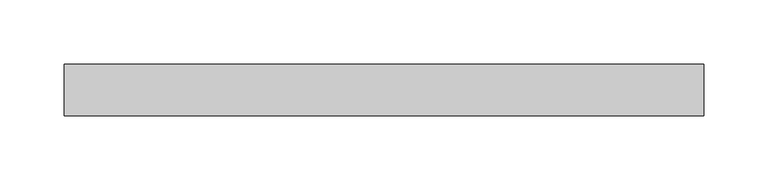
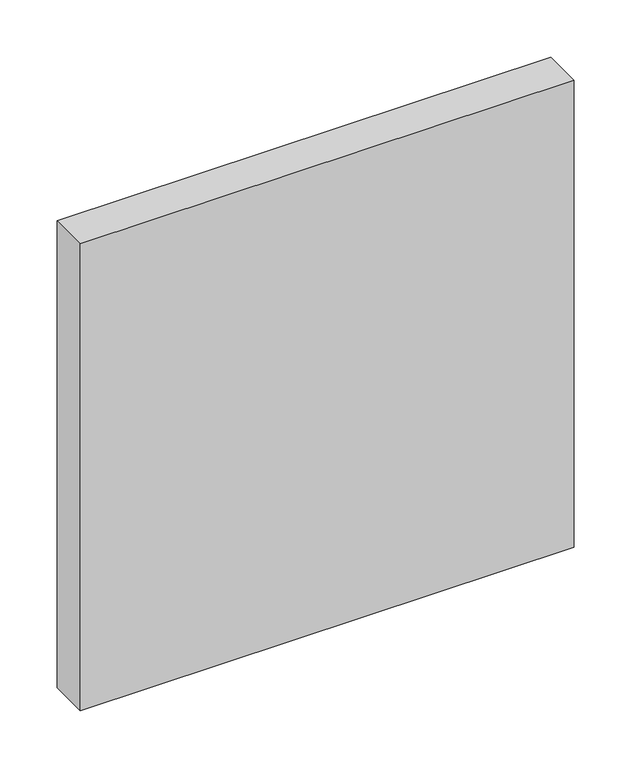
"""IFC4 building model written with IfcOpenShell, lengths in millimetres: plate geometry."""

from ifc_helpers import new_model, si_unit, origin, origin_with_axes, place, context, project, spatial, polyline, outline, extrude, source, transform, mapped, element, save


def plate_fb79671a(model_context):
    return source(origin(), model_context, "Body", "SweptSolid", [
        extrude(outline(polyline([(248.9999999, -40.0), (-248.9999999, -40.0), (-248.9999999, 0.0), (248.9999999, 0.0), (248.9999999, -40.0)])), origin_with_axes(), (0.0, 0.0, 1.0), 498.0),
    ])


if __name__ == "__main__":
    model = new_model("IFC4")
    model_context = context("Model", 3, world=origin())
    ifc_project = project(units=[si_unit("LENGTHUNIT", "METRE", prefix="MILLI")], contexts=[model_context])
    site = spatial("IfcSite", under=ifc_project)
    building = spatial("IfcBuilding", under=site)
    placement = place(None, origin())
    plate_shape = plate_fb79671a(model_context)
    element("IfcPlate", 1, at=placement, inside=building, context=model_context, shape_type="MappedRepresentation", body=[
        mapped(plate_shape, transform((0.0, 0.0, 0.0), x_axis=(1.0, 0.0, 0.0), y_axis=(0.0, 1.0, 0.0), z_axis=(0.0, 0.0, 1.0))),
    ])
    save(model, "model.ifc")
